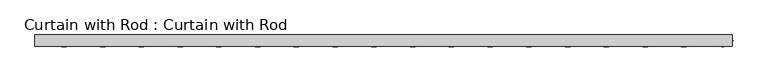
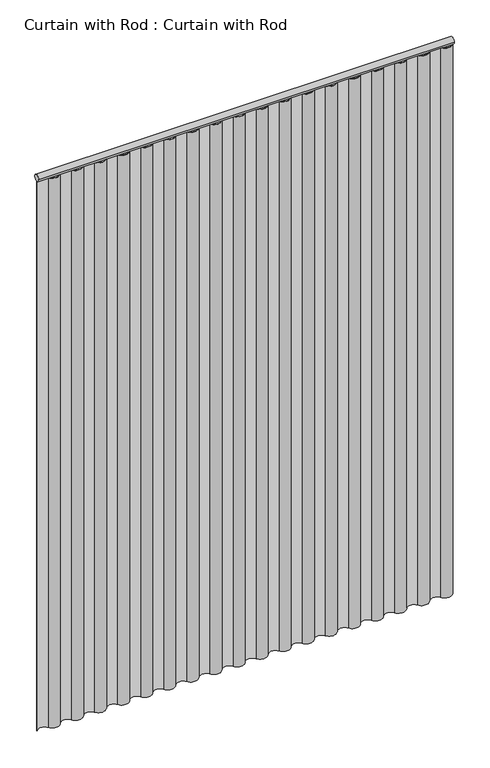
"""IFC4 building model written with IfcOpenShell, lengths in millimetres: proxy geometry, Curtain with Rod : Curtain with Rod."""

import ifcopenshell
import ifcopenshell.guid

model = None  # the IFC model being written
_history = None  # IfcOwnerHistory: only IFC2X3 demands one
_inside = {}  # id of a spatial element -> (the spatial element, [elements in it])
_under = {}  # id of a project, library or spatial element -> (it, [spatial elements below it])
_declared = {}  # id of a project -> (the project, [libraries it declares])
_typed = {}  # id of a type object -> (the type object, [elements of that type])
_made_of = {}  # id of a material, layer set ... -> (it, [elements and type objects made of it])


def new_model(schema):
    """Start an empty IFC model of exactly this schema.

    Asked for "IFC4X3", IfcOpenShell would pick the latest addendum, in which some entities
    have other attributes; the version numbers below select the first issue.
    IFC2X3 requires an IfcOwnerHistory on every rooted entity: one is made here for all.
    """
    global model, _history
    if schema == "IFC4X3":
        model = ifcopenshell.file(schema_version=(4, 3, 0, 0))
    else:
        model = ifcopenshell.file(schema=schema)
    _inside.clear()
    _under.clear()
    _declared.clear()
    _typed.clear()
    _made_of.clear()
    _history = None
    if model.schema == "IFC2X3":
        org = make("IfcOrganization", Name="unknown")
        user = make(
            "IfcPersonAndOrganization",
            ThePerson=make("IfcPerson", FamilyName="unknown"),
            TheOrganization=org,
        )
        app = make(
            "IfcApplication",
            ApplicationDeveloper=org,
            Version="unknown",
            ApplicationFullName="unknown",
            ApplicationIdentifier="unknown",
        )
        _history = make(
            "IfcOwnerHistory",
            OwningUser=user,
            OwningApplication=app,
            ChangeAction="ADDED",
            CreationDate=0,
        )
    return model


def make(cls, **values):
    """One entity of the class cls with the attributes given. An attribute that is None is left unset."""
    return model.create_entity(
        cls, **{name: value for name, value in values.items() if value is not None}
    )


def rooted(cls, **values):
    """An entity with a GlobalId (a new one), such as an element, a storey or a relation."""
    return make(cls, GlobalId=ifcopenshell.guid.new(), OwnerHistory=_history, **values)


def si_unit(unit_type, name, prefix=None):
    """IfcSIUnit, for example si_unit("LENGTHUNIT", "METRE", prefix="MILLI")."""
    return make("IfcSIUnit", UnitType=unit_type, Prefix=prefix, Name=name)


def assignment(units):
    """IfcUnitAssignment: the units of a project."""
    return None if units is None else make("IfcUnitAssignment", Units=units)


def point(xyz):
    """IfcCartesianPoint."""
    return None if xyz is None else make("IfcCartesianPoint", Coordinates=xyz)


def direction(xyz):
    """IfcDirection."""
    return None if xyz is None else make("IfcDirection", DirectionRatios=xyz)


def frame(location, z_axis=None, x_axis=None):
    """IfcAxis2Placement3D, a coordinate frame: its origin and axes. An axis left out is left unset."""
    return make(
        "IfcAxis2Placement3D",
        Location=point(location),
        Axis=direction(z_axis),
        RefDirection=direction(x_axis),
    )


def frame_2d(location, x_axis=None):
    """IfcAxis2Placement2D, a coordinate frame in the plane: its origin and x axis."""
    return make(
        "IfcAxis2Placement2D", Location=point(location), RefDirection=direction(x_axis)
    )


def origin():
    """The frame at (0, 0, 0) with its axes left unset."""
    return frame((0.0, 0.0, 0.0))


def origin_with_axes():
    """The frame at (0, 0, 0) with the z axis (0, 0, 1) and the x axis (1, 0, 0) written out."""
    return frame((0.0, 0.0, 0.0), z_axis=(0.0, 0.0, 1.0), x_axis=(1.0, 0.0, 0.0))


def place(relative_to, where):
    """IfcLocalPlacement: puts the frame where relative to a parent placement (None: the world)."""
    return make(
        "IfcLocalPlacement", PlacementRelTo=relative_to, RelativePlacement=where
    )


def context(
    kind, dimensions, precision=None, world=None, true_north=None, identifier=None
):
    """IfcGeometricRepresentationContext, for example the 3D "Model" context."""
    return make(
        "IfcGeometricRepresentationContext",
        ContextIdentifier=identifier,
        ContextType=kind,
        CoordinateSpaceDimension=dimensions,
        Precision=precision,
        WorldCoordinateSystem=world,
        TrueNorth=true_north,
    )


def project(units=None, contexts=None):
    """IfcProject with its units and contexts."""
    return rooted(
        "IfcProject",
        Name="project",
        RepresentationContexts=contexts,
        UnitsInContext=assignment(units),
    )


def spatial(cls, under=None, at=None, **own):
    """A site, building, storey or space (cls), placed at a placement, below another one or the project."""
    s = rooted(cls, ObjectPlacement=at, **own)
    if under is not None:
        _under.setdefault(under.id(), (under, []))[1].append(s)
    return s


def polyline(points):
    """IfcPolyline through the points."""
    return make("IfcPolyline", Points=[point(p) for p in points])


def circle_curve(where, radius):
    """IfcCircle in the frame where."""
    return make("IfcCircle", Position=where, Radius=radius)


def trimmed(basis, trim1, trim2, sense, master):
    """IfcTrimmedCurve: the piece of a basis curve between two trims."""
    return make(
        "IfcTrimmedCurve",
        BasisCurve=basis,
        Trim1=trim1,
        Trim2=trim2,
        SenseAgreement=sense,
        MasterRepresentation=master,
    )


def segment(curve, same_sense, transition):
    """IfcCompositeCurveSegment."""
    return make(
        "IfcCompositeCurveSegment",
        Transition=transition,
        SameSense=same_sense,
        ParentCurve=curve,
    )


def composite_curve(segments, self_intersect=None):
    """IfcCompositeCurve: segments joined end to end."""
    return make("IfcCompositeCurve", Segments=segments, SelfIntersect=self_intersect)


def outline(outer, holes=None, kind="AREA"):
    """IfcArbitraryClosedProfileDef: a profile drawn as a closed curve; with holes, ...WithVoids."""
    if holes is None:
        return make("IfcArbitraryClosedProfileDef", ProfileType=kind, OuterCurve=outer)
    return make(
        "IfcArbitraryProfileDefWithVoids",
        ProfileType=kind,
        OuterCurve=outer,
        InnerCurves=holes,
    )


def extrude(swept, where, along, depth):
    """IfcExtrudedAreaSolid: the profile swept, set in the frame where, extruded along a direction by depth."""
    return make(
        "IfcExtrudedAreaSolid",
        SweptArea=swept,
        Position=where,
        ExtrudedDirection=direction(along),
        Depth=depth,
    )


def shape(context_of_items, identifier, shape_type, items):
    """IfcShapeRepresentation: the items that make up one representation, for example the "Body"."""
    return make(
        "IfcShapeRepresentation",
        ContextOfItems=context_of_items,
        RepresentationIdentifier=identifier,
        RepresentationType=shape_type,
        Items=items,
    )


def source(mapping_origin, context_of_items, identifier, shape_type, items):
    """IfcRepresentationMap: a shape defined once, which mapped items show again and again."""
    return make(
        "IfcRepresentationMap",
        MappingOrigin=mapping_origin,
        MappedRepresentation=shape(context_of_items, identifier, shape_type, items),
    )


def transform(
    local_origin,
    x_axis=None,
    y_axis=None,
    z_axis=None,
    scale=None,
    scale2=None,
    scale3=None,
    uniform=True,
):
    """IfcCartesianTransformationOperator3D, or its non-uniform kind. x_axis, y_axis, z_axis: its Axis1, 2, 3."""
    if uniform:
        return make(
            "IfcCartesianTransformationOperator3D",
            Axis1=direction(x_axis),
            Axis2=direction(y_axis),
            LocalOrigin=point(local_origin),
            Scale=scale,
            Axis3=direction(z_axis),
        )
    return make(
        "IfcCartesianTransformationOperator3DnonUniform",
        Axis1=direction(x_axis),
        Axis2=direction(y_axis),
        LocalOrigin=point(local_origin),
        Scale=scale,
        Axis3=direction(z_axis),
        Scale2=scale2,
        Scale3=scale3,
    )


def mapped(mapping_source, mapping_target):
    """IfcMappedItem: shows the shape of a source again, moved by a transform."""
    return make(
        "IfcMappedItem", MappingSource=mapping_source, MappingTarget=mapping_target
    )


def made_of(thing, what):
    """Note that an element or type object is made of a material, layer set ...; save() writes the relation."""
    if what is not None:
        _made_of.setdefault(what.id(), (what, []))[1].append(thing)
    return thing


def element(
    cls,
    number,
    at=None,
    inside=None,
    cuts=None,
    type_object=None,
    material=None,
    context=None,
    identifier="Body",
    shape_type=None,
    held_by="IfcProductDefinitionShape",
    body=None,
    shapes=None,
    **own,
):
    """One element of the class cls, such as IfcWall. Its Tag is "e" and its number.

    at: its placement. inside: the storey or other place that contains it. cuts: it is an
    opening in that element (IfcRelVoidsElement). A single representation is given by context,
    identifier, shape_type and body (its items); several are given by shapes. held_by: the class
    of the entity that holds the representations. save() writes the other relations.
    """
    e = rooted(cls, Tag="e%d" % number, ObjectPlacement=at, **own)
    if body is not None:
        shapes = [shape(context, identifier, shape_type, body)]
    if shapes is not None:
        e.Representation = make(held_by, Representations=shapes)
    if inside is not None:
        _inside.setdefault(inside.id(), (inside, []))[1].append(e)
    if cuts is not None:
        rooted(
            "IfcRelVoidsElement", RelatingBuildingElement=cuts, RelatedOpeningElement=e
        )
    if type_object is not None:
        _typed.setdefault(type_object.id(), (type_object, []))[1].append(e)
    return made_of(e, material)


def aggregate(whole, parts):
    """IfcRelAggregates: a whole, such as a stair, and the parts it consists of."""
    return rooted("IfcRelAggregates", RelatingObject=whole, RelatedObjects=parts)


def save(model, path):
    """Write the relations noted so far, then the file.

    IfcRelAggregates (storeys below a building ...), IfcRelContainedInSpatialStructure (elements
    in a storey), IfcRelDefinesByType, IfcRelAssociatesMaterial and IfcRelDeclares: one each for
    every whole, place, type object, material and project.
    """
    for whole, parts in _under.values():
        aggregate(whole, parts)
    for where, things in _inside.values():
        rooted(
            "IfcRelContainedInSpatialStructure",
            RelatedElements=things,
            RelatingStructure=where,
        )
    for kind, things in _typed.values():
        rooted("IfcRelDefinesByType", RelatedObjects=things, RelatingType=kind)
    for what, things in _made_of.values():
        rooted("IfcRelAssociatesMaterial", RelatedObjects=things, RelatingMaterial=what)
    for by, libraries in _declared.values():
        rooted("IfcRelDeclares", RelatingContext=by, RelatedDefinitions=libraries)
    model.write(path)


def curtain_with_rod_curtain_with_rod_ce597d03(model_context):
    return source(origin(), model_context, "Body", "SweptSolid", [
        extrude(outline(composite_curve([segment(trimmed(circle_curve(frame_2d((0.0, 2171.7)), 12.7), [point((-12.7, 2171.7))], [point((12.7, 2171.7))], False, "CARTESIAN"), True, "CONTINUOUS"), segment(trimmed(circle_curve(frame_2d((0.0, 2171.7)), 12.7), [point((12.7, 2171.7))], [point((-12.7, 2171.7))], False, "CARTESIAN"), True, "CONTINUOUS")], self_intersect=False)), frame((-772.3272898, 0.0, 0.0), z_axis=(1.0, 0.0, 0.0), x_axis=(0.0, 1.0, 0.0)), (0.0, 0.0, 1.0), 1544.6545796),
        extrude(outline(composite_curve([segment(trimmed(circle_curve(frame_2d((-707.9666823, 12.818643)), 24.9914347), [point((-729.4202181, 0.0))], [point((-686.5131465, 0.0))], True, "CARTESIAN"), True, "CONTINUOUS"), segment(trimmed(circle_curve(frame_2d((-665.0596106, -12.818643)), 24.9914347), [point((-686.5131465, 0.0))], [point((-643.6060748, 0.0))], False, "CARTESIAN"), True, "CONTINUOUS"), segment(trimmed(circle_curve(frame_2d((-622.152539, 12.818643)), 24.9914347), [point((-643.6060748, 0.0))], [point((-600.6990032, 0.0))], True, "CARTESIAN"), True, "CONTINUOUS"), segment(trimmed(circle_curve(frame_2d((-579.2454673, -12.818643)), 24.9914347), [point((-600.6990032, 0.0))], [point((-557.7919315, 0.0))], False, "CARTESIAN"), True, "CONTINUOUS"), segment(trimmed(circle_curve(frame_2d((-536.3383957, 12.818643)), 24.9914347), [point((-557.7919315, 0.0))], [point((-514.8848599, 0.0))], True, "CARTESIAN"), True, "CONTINUOUS"), segment(trimmed(circle_curve(frame_2d((-493.431324, -12.818643)), 24.9914347), [point((-514.8848599, 0.0))], [point((-471.9777882, 0.0))], False, "CARTESIAN"), True, "CONTINUOUS"), segment(trimmed(circle_curve(frame_2d((-450.5242524, 12.818643)), 24.9914347), [point((-471.9777882, 0.0))], [point((-429.0707165, 0.0))], True, "CARTESIAN"), True, "CONTINUOUS"), segment(trimmed(circle_curve(frame_2d((-407.6171807, -12.818643)), 24.9914347), [point((-429.0707165, 0.0))], [point((-386.1636449, 0.0))], False, "CARTESIAN"), True, "CONTINUOUS"), segment(trimmed(circle_curve(frame_2d((-364.7101091, 12.818643)), 24.9914347), [point((-386.1636449, 0.0))], [point((-343.2565732, 0.0))], True, "CARTESIAN"), True, "CONTINUOUS"), segment(trimmed(circle_curve(frame_2d((-321.8030374, -12.818643)), 24.9914347), [point((-343.2565732, 0.0))], [point((-300.3495016, 0.0))], False, "CARTESIAN"), True, "CONTINUOUS"), segment(trimmed(circle_curve(frame_2d((-278.8959658, 12.818643)), 24.9914347), [point((-300.3495016, 0.0))], [point((-257.4424299, 0.0))], True, "CARTESIAN"), True, "CONTINUOUS"), segment(trimmed(circle_curve(frame_2d((-235.9888941, -12.818643)), 24.9914347), [point((-257.4424299, 0.0))], [point((-214.5353583, 0.0))], False, "CARTESIAN"), True, "CONTINUOUS"), segment(trimmed(circle_curve(frame_2d((-193.0818224, 12.818643)), 24.9914347), [point((-214.5353583, 0.0))], [point((-171.6282866, 0.0))], True, "CARTESIAN"), True, "CONTINUOUS"), segment(trimmed(circle_curve(frame_2d((-150.1747508, -12.818643)), 24.9914347), [point((-171.6282866, 0.0))], [point((-128.721215, 0.0))], False, "CARTESIAN"), True, "CONTINUOUS"), segment(trimmed(circle_curve(frame_2d((-107.2676791, 12.818643)), 24.9914347), [point((-128.721215, 0.0))], [point((-85.8141433, 0.0))], True, "CARTESIAN"), True, "CONTINUOUS"), segment(trimmed(circle_curve(frame_2d((-64.3606075, -12.818643)), 24.9914347), [point((-85.8141433, 0.0))], [point((-42.9070717, 0.0))], False, "CARTESIAN"), True, "CONTINUOUS"), segment(trimmed(circle_curve(frame_2d((-21.4535358, 12.818643)), 24.9914347), [point((-42.9070717, 0.0))], [point((0.0, 0.0))], True, "CARTESIAN"), True, "CONTINUOUS"), segment(trimmed(circle_curve(frame_2d((21.4535358, -12.818643)), 24.9914347), [point((0.0, 0.0))], [point((42.9070717, 0.0))], False, "CARTESIAN"), True, "CONTINUOUS"), segment(trimmed(circle_curve(frame_2d((64.3606075, 12.818643)), 24.9914347), [point((42.9070717, 0.0))], [point((85.8141433, 0.0))], True, "CARTESIAN"), True, "CONTINUOUS"), segment(trimmed(circle_curve(frame_2d((107.2676791, -12.818643)), 24.9914347), [point((85.8141433, 0.0))], [point((128.721215, 0.0))], False, "CARTESIAN"), True, "CONTINUOUS"), segment(trimmed(circle_curve(frame_2d((150.1747508, 12.818643)), 24.9914347), [point((128.721215, 0.0))], [point((171.6282866, 0.0))], True, "CARTESIAN"), True, "CONTINUOUS"), segment(trimmed(circle_curve(frame_2d((193.0818224, -12.818643)), 24.9914347), [point((171.6282866, 0.0))], [point((214.5353583, 0.0))], False, "CARTESIAN"), True, "CONTINUOUS"), segment(trimmed(circle_curve(frame_2d((235.9888941, 12.818643)), 24.9914347), [point((214.5353583, 0.0))], [point((257.4424299, 0.0))], True, "CARTESIAN"), True, "CONTINUOUS"), segment(trimmed(circle_curve(frame_2d((278.8959658, -12.818643)), 24.9914347), [point((257.4424299, 0.0))], [point((300.3495016, 0.0))], False, "CARTESIAN"), True, "CONTINUOUS"), segment(trimmed(circle_curve(frame_2d((321.8030374, 12.818643)), 24.9914347), [point((300.3495016, 0.0))], [point((343.2565732, 0.0))], True, "CARTESIAN"), True, "CONTINUOUS"), segment(trimmed(circle_curve(frame_2d((364.7101091, -12.818643)), 24.9914347), [point((343.2565732, 0.0))], [point((386.1636449, 0.0))], False, "CARTESIAN"), True, "CONTINUOUS"), segment(trimmed(circle_curve(frame_2d((407.6171807, 12.818643)), 24.9914347), [point((386.1636449, 0.0))], [point((429.0707165, 0.0))], True, "CARTESIAN"), True, "CONTINUOUS"), segment(trimmed(circle_curve(frame_2d((450.5242524, -12.818643)), 24.9914347), [point((429.0707165, 0.0))], [point((471.9777882, 0.0))], False, "CARTESIAN"), True, "CONTINUOUS"), segment(trimmed(circle_curve(frame_2d((493.431324, 12.818643)), 24.9914347), [point((471.9777882, 0.0))], [point((514.8848599, 0.0))], True, "CARTESIAN"), True, "CONTINUOUS"), segment(trimmed(circle_curve(frame_2d((536.3383957, -12.818643)), 24.9914347), [point((514.8848599, 0.0))], [point((557.7919315, 0.0))], False, "CARTESIAN"), True, "CONTINUOUS"), segment(trimmed(circle_curve(frame_2d((579.2454673, 12.818643)), 24.9914347), [point((557.7919315, 0.0))], [point((600.6990032, 0.0))], True, "CARTESIAN"), True, "CONTINUOUS"), segment(trimmed(circle_curve(frame_2d((622.152539, -12.818643)), 24.9914347), [point((600.6990032, 0.0))], [point((643.6060748, 0.0))], False, "CARTESIAN"), True, "CONTINUOUS"), segment(trimmed(circle_curve(frame_2d((665.0596106, 12.818643)), 24.9914347), [point((643.6060748, 0.0))], [point((686.5131465, 0.0))], True, "CARTESIAN"), True, "CONTINUOUS"), segment(trimmed(circle_curve(frame_2d((707.9666823, -12.8088226)), 24.986399), [point((686.5131465, 0.0))], [point((729.4202181, 0.0))], False, "CARTESIAN"), True, "CONTINUOUS"), segment(trimmed(circle_curve(frame_2d((750.873754, 12.9083681)), 25.0375751), [point((729.4202181, 0.0))], [point((772.3272898, 0.0))], True, "CARTESIAN"), True, "CONTINUOUS"), segment(polyline([(772.3272898, 0.0), (774.1583392, 0.0)]), True, "CONTINUOUS"), segment(trimmed(circle_curve(frame_2d((750.873754, 12.9083681)), 26.6232582), [point((774.1583392, 0.0))], [point((728.038149, -0.7785974))], False, "CARTESIAN"), True, "CONTINUOUS"), segment(trimmed(circle_curve(frame_2d((707.9666823, -12.8088226)), 23.4006431), [point((728.038149, -0.7785974))], [point((687.8767142, -0.8095194))], True, "CARTESIAN"), True, "CONTINUOUS"), segment(trimmed(circle_curve(frame_2d((665.0596106, 12.818643)), 26.5771899), [point((687.8767142, -0.8095194))], [point((642.2448061, -0.8133679))], False, "CARTESIAN"), True, "CONTINUOUS"), segment(trimmed(circle_curve(frame_2d((622.152539, -12.818643)), 23.4056794), [point((642.2448061, -0.8133679))], [point((602.0602718, -0.8133679))], True, "CARTESIAN"), True, "CONTINUOUS"), segment(trimmed(circle_curve(frame_2d((579.2454673, 12.818643)), 26.5771899), [point((602.0602718, -0.8133679))], [point((556.4306628, -0.8133679))], False, "CARTESIAN"), True, "CONTINUOUS"), segment(trimmed(circle_curve(frame_2d((536.3383957, -12.818643)), 23.4056794), [point((556.4306628, -0.8133679))], [point((516.2461285, -0.8133679))], True, "CARTESIAN"), True, "CONTINUOUS"), segment(trimmed(circle_curve(frame_2d((493.431324, 12.818643)), 26.5771899), [point((516.2461285, -0.8133679))], [point((470.6165195, -0.8133679))], False, "CARTESIAN"), True, "CONTINUOUS"), segment(trimmed(circle_curve(frame_2d((450.5242524, -12.818643)), 23.4056794), [point((470.6165195, -0.8133679))], [point((430.4319852, -0.8133679))], True, "CARTESIAN"), True, "CONTINUOUS"), segment(trimmed(circle_curve(frame_2d((407.6171807, 12.818643)), 26.5771899), [point((430.4319852, -0.8133679))], [point((384.8023762, -0.8133679))], False, "CARTESIAN"), True, "CONTINUOUS"), segment(trimmed(circle_curve(frame_2d((364.7101091, -12.818643)), 23.4056794), [point((384.8023762, -0.8133679))], [point((344.6178419, -0.8133679))], True, "CARTESIAN"), True, "CONTINUOUS"), segment(trimmed(circle_curve(frame_2d((321.8030374, 12.818643)), 26.5771899), [point((344.6178419, -0.8133679))], [point((298.9882329, -0.8133679))], False, "CARTESIAN"), True, "CONTINUOUS"), segment(trimmed(circle_curve(frame_2d((278.8959658, -12.818643)), 23.4056794), [point((298.9882329, -0.8133679))], [point((258.8036986, -0.8133679))], True, "CARTESIAN"), True, "CONTINUOUS"), segment(trimmed(circle_curve(frame_2d((235.9888941, 12.818643)), 26.5771899), [point((258.8036986, -0.8133679))], [point((213.1740896, -0.8133679))], False, "CARTESIAN"), True, "CONTINUOUS"), segment(trimmed(circle_curve(frame_2d((193.0818224, -12.818643)), 23.4056794), [point((213.1740896, -0.8133679))], [point((172.9895553, -0.8133679))], True, "CARTESIAN"), True, "CONTINUOUS"), segment(trimmed(circle_curve(frame_2d((150.1747508, 12.818643)), 26.5771899), [point((172.9895553, -0.8133679))], [point((127.3599463, -0.8133679))], False, "CARTESIAN"), True, "CONTINUOUS"), segment(trimmed(circle_curve(frame_2d((107.2676791, -12.818643)), 23.4056794), [point((127.3599463, -0.8133679))], [point((87.175412, -0.8133679))], True, "CARTESIAN"), True, "CONTINUOUS"), segment(trimmed(circle_curve(frame_2d((64.3606075, 12.818643)), 26.5771899), [point((87.175412, -0.8133679))], [point((41.545803, -0.8133679))], False, "CARTESIAN"), True, "CONTINUOUS"), segment(trimmed(circle_curve(frame_2d((21.4535358, -12.818643)), 23.4056794), [point((41.545803, -0.8133679))], [point((1.3612687, -0.8133679))], True, "CARTESIAN"), True, "CONTINUOUS"), segment(trimmed(circle_curve(frame_2d((-21.4535358, 12.818643)), 26.5771899), [point((1.3612687, -0.8133679))], [point((-44.2683403, -0.8133679))], False, "CARTESIAN"), True, "CONTINUOUS"), segment(trimmed(circle_curve(frame_2d((-64.3606075, -12.818643)), 23.4056794), [point((-44.2683403, -0.8133679))], [point((-84.4528746, -0.8133679))], True, "CARTESIAN"), True, "CONTINUOUS"), segment(trimmed(circle_curve(frame_2d((-107.2676791, 12.818643)), 26.5771899), [point((-84.4528746, -0.8133679))], [point((-130.0824836, -0.8133679))], False, "CARTESIAN"), True, "CONTINUOUS"), segment(trimmed(circle_curve(frame_2d((-150.1747508, -12.818643)), 23.4056794), [point((-130.0824836, -0.8133679))], [point((-170.2670179, -0.8133679))], True, "CARTESIAN"), True, "CONTINUOUS"), segment(trimmed(circle_curve(frame_2d((-193.0818224, 12.818643)), 26.5771899), [point((-170.2670179, -0.8133679))], [point((-215.896627, -0.8133679))], False, "CARTESIAN"), True, "CONTINUOUS"), segment(trimmed(circle_curve(frame_2d((-235.9888941, -12.818643)), 23.4056794), [point((-215.896627, -0.8133679))], [point((-256.0811612, -0.8133679))], True, "CARTESIAN"), True, "CONTINUOUS"), segment(trimmed(circle_curve(frame_2d((-278.8959658, 12.818643)), 26.5771899), [point((-256.0811612, -0.8133679))], [point((-301.7107703, -0.8133679))], False, "CARTESIAN"), True, "CONTINUOUS"), segment(trimmed(circle_curve(frame_2d((-321.8030374, -12.818643)), 23.4056794), [point((-301.7107703, -0.8133679))], [point((-341.8953046, -0.8133679))], True, "CARTESIAN"), True, "CONTINUOUS"), segment(trimmed(circle_curve(frame_2d((-364.7101091, 12.818643)), 26.5771899), [point((-341.8953046, -0.8133679))], [point((-387.5249136, -0.8133679))], False, "CARTESIAN"), True, "CONTINUOUS"), segment(trimmed(circle_curve(frame_2d((-407.6171807, -12.818643)), 23.4056794), [point((-387.5249136, -0.8133679))], [point((-427.7094479, -0.8133679))], True, "CARTESIAN"), True, "CONTINUOUS"), segment(trimmed(circle_curve(frame_2d((-450.5242524, 12.818643)), 26.5771899), [point((-427.7094479, -0.8133679))], [point((-473.3390569, -0.8133679))], False, "CARTESIAN"), True, "CONTINUOUS"), segment(trimmed(circle_curve(frame_2d((-493.431324, -12.818643)), 23.4056794), [point((-473.3390569, -0.8133679))], [point((-513.5235912, -0.8133679))], True, "CARTESIAN"), True, "CONTINUOUS"), segment(trimmed(circle_curve(frame_2d((-536.3383957, 12.818643)), 26.5771899), [point((-513.5235912, -0.8133679))], [point((-559.1532002, -0.8133679))], False, "CARTESIAN"), True, "CONTINUOUS"), segment(trimmed(circle_curve(frame_2d((-579.2454673, -12.818643)), 23.4056794), [point((-559.1532002, -0.8133679))], [point((-599.3377345, -0.8133679))], True, "CARTESIAN"), True, "CONTINUOUS"), segment(trimmed(circle_curve(frame_2d((-622.152539, 12.818643)), 26.5771899), [point((-599.3377345, -0.8133679))], [point((-644.9673435, -0.8133679))], False, "CARTESIAN"), True, "CONTINUOUS"), segment(trimmed(circle_curve(frame_2d((-665.0596106, -12.818643)), 23.4056794), [point((-644.9673435, -0.8133679))], [point((-685.1518778, -0.8133679))], True, "CARTESIAN"), True, "CONTINUOUS"), segment(trimmed(circle_curve(frame_2d((-707.9666823, 12.818643)), 26.5771899), [point((-685.1518778, -0.8133679))], [point((-730.7823233, -0.8119678))], False, "CARTESIAN"), True, "CONTINUOUS"), segment(trimmed(circle_curve(frame_2d((-750.873754, -12.7277487)), 23.3591827), [point((-730.7823233, -0.8119678))], [point((-770.4608883, 0.0))], True, "CARTESIAN"), True, "CONTINUOUS"), segment(polyline([(-770.4608883, 0.0), (-772.3272898, 0.0)]), True, "CONTINUOUS"), segment(trimmed(circle_curve(frame_2d((-750.873754, -12.7277487)), 24.9449351), [point((-772.3272898, 0.0))], [point((-729.4202181, 0.0))], False, "CARTESIAN"), True, "CONTINUOUS")], self_intersect=False)), origin_with_axes(), (0.0, 0.0, 1.0), 2159.0),
    ])


if __name__ == "__main__":
    model = new_model("IFC4")
    model_context = context("Model", 3, world=origin())
    ifc_project = project(units=[si_unit("LENGTHUNIT", "METRE", prefix="MILLI")], contexts=[model_context])
    site = spatial("IfcSite", under=ifc_project)
    building = spatial("IfcBuilding", under=site)
    placement = place(None, origin())
    curtain_with_rod_curtain_with_rod_shape = curtain_with_rod_curtain_with_rod_ce597d03(model_context)
    element("IfcBuildingElementProxy", 1, Name="Curtain with Rod : Curtain with Rod", ObjectType="Curtain with Rod : Curtain with Rod", at=placement, inside=building, context=model_context, shape_type="MappedRepresentation", body=[
        mapped(curtain_with_rod_curtain_with_rod_shape, transform((0.0, 0.0, 0.0), x_axis=(1.0, 0.0, 0.0), y_axis=(0.0, 1.0, 0.0), z_axis=(0.0, 0.0, 1.0))),
    ])
    save(model, "model.ifc")
